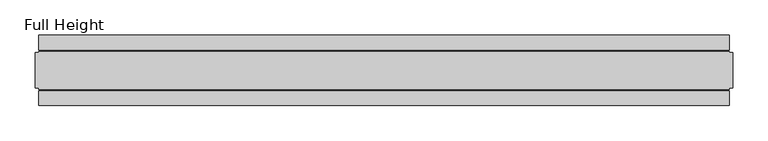
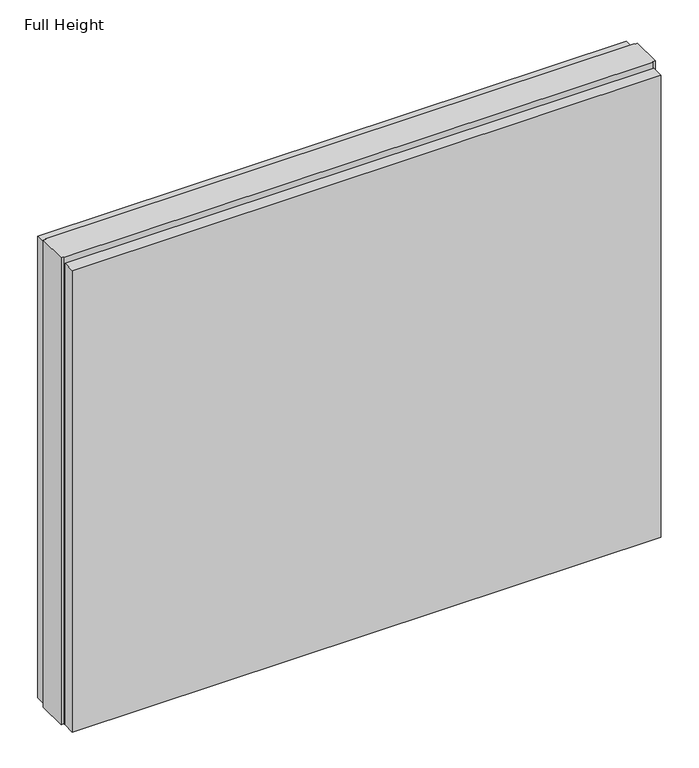
"""IFC4 building model written with IfcOpenShell, lengths in millimetres: plate geometry, Full Height."""

import ifcopenshell
import ifcopenshell.guid

model = None  # the IFC model being written
_history = None  # IfcOwnerHistory: only IFC2X3 demands one
_inside = {}  # id of a spatial element -> (the spatial element, [elements in it])
_under = {}  # id of a project, library or spatial element -> (it, [spatial elements below it])
_declared = {}  # id of a project -> (the project, [libraries it declares])
_typed = {}  # id of a type object -> (the type object, [elements of that type])
_made_of = {}  # id of a material, layer set ... -> (it, [elements and type objects made of it])


def new_model(schema):
    """Start an empty IFC model of exactly this schema.

    Asked for "IFC4X3", IfcOpenShell would pick the latest addendum, in which some entities
    have other attributes; the version numbers below select the first issue.
    IFC2X3 requires an IfcOwnerHistory on every rooted entity: one is made here for all.
    """
    global model, _history
    if schema == "IFC4X3":
        model = ifcopenshell.file(schema_version=(4, 3, 0, 0))
    else:
        model = ifcopenshell.file(schema=schema)
    _inside.clear()
    _under.clear()
    _declared.clear()
    _typed.clear()
    _made_of.clear()
    _history = None
    if model.schema == "IFC2X3":
        org = make("IfcOrganization", Name="unknown")
        user = make(
            "IfcPersonAndOrganization",
            ThePerson=make("IfcPerson", FamilyName="unknown"),
            TheOrganization=org,
        )
        app = make(
            "IfcApplication",
            ApplicationDeveloper=org,
            Version="unknown",
            ApplicationFullName="unknown",
            ApplicationIdentifier="unknown",
        )
        _history = make(
            "IfcOwnerHistory",
            OwningUser=user,
            OwningApplication=app,
            ChangeAction="ADDED",
            CreationDate=0,
        )
    return model


def make(cls, **values):
    """One entity of the class cls with the attributes given. An attribute that is None is left unset."""
    return model.create_entity(
        cls, **{name: value for name, value in values.items() if value is not None}
    )


def rooted(cls, **values):
    """An entity with a GlobalId (a new one), such as an element, a storey or a relation."""
    return make(cls, GlobalId=ifcopenshell.guid.new(), OwnerHistory=_history, **values)


def si_unit(unit_type, name, prefix=None):
    """IfcSIUnit, for example si_unit("LENGTHUNIT", "METRE", prefix="MILLI")."""
    return make("IfcSIUnit", UnitType=unit_type, Prefix=prefix, Name=name)


def assignment(units):
    """IfcUnitAssignment: the units of a project."""
    return None if units is None else make("IfcUnitAssignment", Units=units)


def point(xyz):
    """IfcCartesianPoint."""
    return None if xyz is None else make("IfcCartesianPoint", Coordinates=xyz)


def direction(xyz):
    """IfcDirection."""
    return None if xyz is None else make("IfcDirection", DirectionRatios=xyz)


def frame(location, z_axis=None, x_axis=None):
    """IfcAxis2Placement3D, a coordinate frame: its origin and axes. An axis left out is left unset."""
    return make(
        "IfcAxis2Placement3D",
        Location=point(location),
        Axis=direction(z_axis),
        RefDirection=direction(x_axis),
    )


def origin():
    """The frame at (0, 0, 0) with its axes left unset."""
    return frame((0.0, 0.0, 0.0))


def origin_with_axes():
    """The frame at (0, 0, 0) with the z axis (0, 0, 1) and the x axis (1, 0, 0) written out."""
    return frame((0.0, 0.0, 0.0), z_axis=(0.0, 0.0, 1.0), x_axis=(1.0, 0.0, 0.0))


def place(relative_to, where):
    """IfcLocalPlacement: puts the frame where relative to a parent placement (None: the world)."""
    return make(
        "IfcLocalPlacement", PlacementRelTo=relative_to, RelativePlacement=where
    )


def context(
    kind, dimensions, precision=None, world=None, true_north=None, identifier=None
):
    """IfcGeometricRepresentationContext, for example the 3D "Model" context."""
    return make(
        "IfcGeometricRepresentationContext",
        ContextIdentifier=identifier,
        ContextType=kind,
        CoordinateSpaceDimension=dimensions,
        Precision=precision,
        WorldCoordinateSystem=world,
        TrueNorth=true_north,
    )


def project(units=None, contexts=None):
    """IfcProject with its units and contexts."""
    return rooted(
        "IfcProject",
        Name="project",
        RepresentationContexts=contexts,
        UnitsInContext=assignment(units),
    )


def spatial(cls, under=None, at=None, **own):
    """A site, building, storey or space (cls), placed at a placement, below another one or the project."""
    s = rooted(cls, ObjectPlacement=at, **own)
    if under is not None:
        _under.setdefault(under.id(), (under, []))[1].append(s)
    return s


def polyline(points):
    """IfcPolyline through the points."""
    return make("IfcPolyline", Points=[point(p) for p in points])


def outline(outer, holes=None, kind="AREA"):
    """IfcArbitraryClosedProfileDef: a profile drawn as a closed curve; with holes, ...WithVoids."""
    if holes is None:
        return make("IfcArbitraryClosedProfileDef", ProfileType=kind, OuterCurve=outer)
    return make(
        "IfcArbitraryProfileDefWithVoids",
        ProfileType=kind,
        OuterCurve=outer,
        InnerCurves=holes,
    )


def extrude(swept, where, along, depth):
    """IfcExtrudedAreaSolid: the profile swept, set in the frame where, extruded along a direction by depth."""
    return make(
        "IfcExtrudedAreaSolid",
        SweptArea=swept,
        Position=where,
        ExtrudedDirection=direction(along),
        Depth=depth,
    )


def shape(context_of_items, identifier, shape_type, items):
    """IfcShapeRepresentation: the items that make up one representation, for example the "Body"."""
    return make(
        "IfcShapeRepresentation",
        ContextOfItems=context_of_items,
        RepresentationIdentifier=identifier,
        RepresentationType=shape_type,
        Items=items,
    )


def source(mapping_origin, context_of_items, identifier, shape_type, items):
    """IfcRepresentationMap: a shape defined once, which mapped items show again and again."""
    return make(
        "IfcRepresentationMap",
        MappingOrigin=mapping_origin,
        MappedRepresentation=shape(context_of_items, identifier, shape_type, items),
    )


def transform(
    local_origin,
    x_axis=None,
    y_axis=None,
    z_axis=None,
    scale=None,
    scale2=None,
    scale3=None,
    uniform=True,
):
    """IfcCartesianTransformationOperator3D, or its non-uniform kind. x_axis, y_axis, z_axis: its Axis1, 2, 3."""
    if uniform:
        return make(
            "IfcCartesianTransformationOperator3D",
            Axis1=direction(x_axis),
            Axis2=direction(y_axis),
            LocalOrigin=point(local_origin),
            Scale=scale,
            Axis3=direction(z_axis),
        )
    return make(
        "IfcCartesianTransformationOperator3DnonUniform",
        Axis1=direction(x_axis),
        Axis2=direction(y_axis),
        LocalOrigin=point(local_origin),
        Scale=scale,
        Axis3=direction(z_axis),
        Scale2=scale2,
        Scale3=scale3,
    )


def mapped(mapping_source, mapping_target):
    """IfcMappedItem: shows the shape of a source again, moved by a transform."""
    return make(
        "IfcMappedItem", MappingSource=mapping_source, MappingTarget=mapping_target
    )


def made_of(thing, what):
    """Note that an element or type object is made of a material, layer set ...; save() writes the relation."""
    if what is not None:
        _made_of.setdefault(what.id(), (what, []))[1].append(thing)
    return thing


def element(
    cls,
    number,
    at=None,
    inside=None,
    cuts=None,
    type_object=None,
    material=None,
    context=None,
    identifier="Body",
    shape_type=None,
    held_by="IfcProductDefinitionShape",
    body=None,
    shapes=None,
    **own,
):
    """One element of the class cls, such as IfcWall. Its Tag is "e" and its number.

    at: its placement. inside: the storey or other place that contains it. cuts: it is an
    opening in that element (IfcRelVoidsElement). A single representation is given by context,
    identifier, shape_type and body (its items); several are given by shapes. held_by: the class
    of the entity that holds the representations. save() writes the other relations.
    """
    e = rooted(cls, Tag="e%d" % number, ObjectPlacement=at, **own)
    if body is not None:
        shapes = [shape(context, identifier, shape_type, body)]
    if shapes is not None:
        e.Representation = make(held_by, Representations=shapes)
    if inside is not None:
        _inside.setdefault(inside.id(), (inside, []))[1].append(e)
    if cuts is not None:
        rooted(
            "IfcRelVoidsElement", RelatingBuildingElement=cuts, RelatedOpeningElement=e
        )
    if type_object is not None:
        _typed.setdefault(type_object.id(), (type_object, []))[1].append(e)
    return made_of(e, material)


def aggregate(whole, parts):
    """IfcRelAggregates: a whole, such as a stair, and the parts it consists of."""
    return rooted("IfcRelAggregates", RelatingObject=whole, RelatedObjects=parts)


def save(model, path):
    """Write the relations noted so far, then the file.

    IfcRelAggregates (storeys below a building ...), IfcRelContainedInSpatialStructure (elements
    in a storey), IfcRelDefinesByType, IfcRelAssociatesMaterial and IfcRelDeclares: one each for
    every whole, place, type object, material and project.
    """
    for whole, parts in _under.values():
        aggregate(whole, parts)
    for where, things in _inside.values():
        rooted(
            "IfcRelContainedInSpatialStructure",
            RelatedElements=things,
            RelatingStructure=where,
        )
    for kind, things in _typed.values():
        rooted("IfcRelDefinesByType", RelatedObjects=things, RelatingType=kind)
    for what, things in _made_of.values():
        rooted("IfcRelAssociatesMaterial", RelatedObjects=things, RelatingMaterial=what)
    for by, libraries in _declared.values():
        rooted("IfcRelDeclares", RelatingContext=by, RelatedDefinitions=libraries)
    model.write(path)


def full_height_1ee55ebf(model_context):
    return source(origin(), model_context, "Body", "SweptSolid", [
        extrude(outline(polyline([(486.4946667, 28.956), (-486.4946667, 28.956), (-486.4946667, 49.53), (486.4946667, 49.53), (486.4946667, 28.956)])), origin_with_axes(), (0.0, 0.0, 1.0), 806.196),
        extrude(outline(polyline([(486.4946667, -28.956), (486.4946667, -49.53), (-486.4946667, -49.53), (-486.4946667, -28.956), (486.4946667, -28.956)])), origin_with_axes(), (0.0, 0.0, 1.0), 806.196),
        extrude(outline(polyline([(486.4946667, -25.146), (486.4946667, -26.67), (-486.4946667, -26.67), (-486.4946667, -25.146), (-491.0666667, -25.146), (-491.0666667, 25.146), (-486.4946667, 25.146), (-486.4946667, 26.67), (486.4946667, 26.67), (486.4946667, 25.146), (491.0666667, 25.146), (491.0666667, -25.146), (486.4946667, -25.146)])), origin_with_axes(), (0.0, 0.0, 1.0), 815.34),
    ])


if __name__ == "__main__":
    model = new_model("IFC4")
    model_context = context("Model", 3, world=origin())
    ifc_project = project(units=[si_unit("LENGTHUNIT", "METRE", prefix="MILLI")], contexts=[model_context])
    site = spatial("IfcSite", under=ifc_project)
    building = spatial("IfcBuilding", under=site)
    placement = place(None, origin())
    full_height_shape = full_height_1ee55ebf(model_context)
    element("IfcPlate", 1, ObjectType="Full Height", at=placement, inside=building, context=model_context, shape_type="MappedRepresentation", body=[
        mapped(full_height_shape, transform((0.0, 0.0, 0.0), x_axis=(1.0, 0.0, 0.0), y_axis=(0.0, 1.0, 0.0), z_axis=(0.0, 0.0, 1.0))),
    ])
    save(model, "model.ifc")
